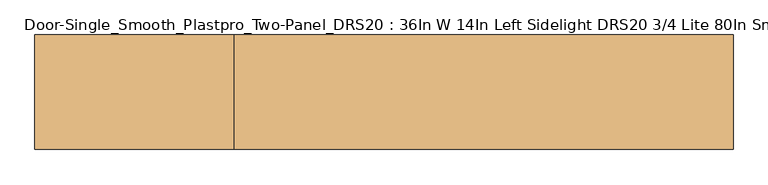
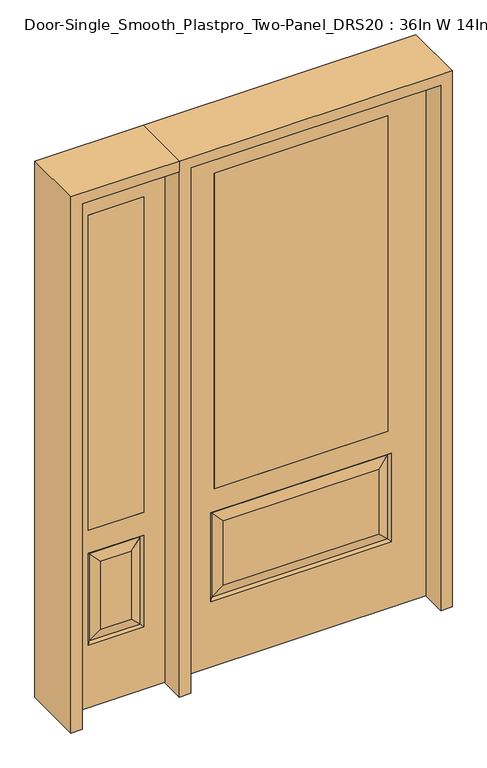
"""IFC4 building model written with IfcOpenShell, lengths in millimetres: door geometry, Door-Single_Smooth_Plastpro_Two-Panel_DRS20 : 36In W 14In Left Sidelight DRS20 3/4 Lite 80In Smooth."""

from ifc_helpers import new_model, si_unit, frame, origin, place, context, project, spatial, polyline, outline, extrude, faceted_brep, source, transform, mapped, element, save


def door_single_smooth_plastpro_two_panel_drs20_36in_w_14in_left_49815e76(model_context):
    return source(origin(), model_context, "Body", "SolidModel", [
        extrude(outline(polyline([(-574.675, -20.6375), (-777.875, -20.6375), (-777.875, 20.6375), (-574.675, 20.6375), (-574.675, -20.6375)])), frame((0.0, 0.0, 685.8), z_axis=(0.0, 0.0, 1.0), x_axis=(1.0, 0.0, 0.0)), (0.0, 0.0, 1.0), 1219.2),
        faceted_brep([(-854.075, -20.6375, 0.0), (-498.475, -20.6375, 0.0), (-498.475, -20.6375, 2032.0), (-854.075, -20.6375, 2032.0), (-574.675, -20.6375, 685.8), (-777.875, -20.6375, 685.8), (-777.875, -20.6375, 1905.0), (-574.675, -20.6375, 1905.0), (-574.675, -20.6375, 241.3), (-777.875, -20.6375, 241.3), (-777.875, -20.6375, 596.9), (-574.675, -20.6375, 596.9), (-731.8375, -20.6375, 287.3375), (-620.7125, -20.6375, 287.3375), (-620.7125, -20.6375, 550.8625), (-731.8375, -20.6375, 550.8625), (-854.075, 20.6375, 0.0), (-498.475, 20.6375, 0.0), (-498.475, 20.6375, 2032.0), (-854.075, 20.6375, 2032.0), (-583.6552561, -11.6572439, 250.2802561), (-768.8947439, -11.6572439, 250.2802561), (-768.8947439, -11.6572439, 587.9197439), (-583.6552561, -11.6572439, 587.9197439), (-574.675, 20.6375, 685.8), (-777.875, 20.6375, 685.8), (-777.875, 20.6375, 1905.0), (-574.675, 20.6375, 1905.0), (-777.875, 20.6375, 241.3), (-574.675, 20.6375, 241.3), (-574.675, 20.6375, 596.9), (-777.875, 20.6375, 596.9), (-620.7125, 20.6375, 287.3375), (-731.8375, 20.6375, 287.3375), (-731.8375, 20.6375, 550.8625), (-620.7125, 20.6375, 550.8625), (-768.8947439, 11.6572439, 250.2802561), (-583.6552561, 11.6572439, 250.2802561), (-583.6552561, 11.6572439, 587.9197439), (-768.8947439, 11.6572439, 587.9197439)], [[[0, 1, 2, 3], [4, 5, 6, 7], [8, 9, 10, 11]], [[12, 13, 14, 15]], [[1, 0, 16, 17]], [[2, 1, 17, 18]], [[0, 3, 19, 16]], [[20, 21, 9, 8]], [[9, 21, 22, 10]], [[10, 22, 23, 11]], [[20, 8, 11, 23]], [[21, 20, 13, 12]], [[13, 20, 23, 14]], [[22, 15, 14, 23]], [[21, 12, 15, 22]], [[4, 24, 25, 5]], [[5, 25, 26, 6]], [[24, 4, 7, 27]], [[16, 19, 18, 17], [25, 24, 27, 26], [28, 29, 30, 31]], [[32, 33, 34, 35]], [[28, 36, 37, 29]], [[29, 37, 38, 30]], [[39, 31, 30, 38]], [[36, 28, 31, 39]], [[37, 36, 33, 32]], [[33, 36, 39, 34]], [[34, 39, 38, 35]], [[37, 32, 35, 38]], [[3, 2, 18, 19]], [[27, 7, 6, 26]]]),
        extrude(outline(polyline([(317.5, -20.6375), (-317.5, -20.6375), (-317.5, 20.6375), (317.5, 20.6375), (317.5, -20.6375)])), frame((0.0, 0.0, 685.8), z_axis=(0.0, 0.0, 1.0), x_axis=(1.0, 0.0, 0.0)), (0.0, 0.0, 1.0), 1219.2),
        faceted_brep([(-317.5, 20.6375, 685.8), (-317.5, -20.6375, 685.8), (317.5, -20.6375, 685.8), (317.5, 20.6375, 685.8), (-321.2197439, 11.6572439, 587.9197439), (-284.1625, 20.6375, 550.8625), (-284.1625, 20.6375, 300.0375), (-321.2197439, 11.6572439, 262.9802561), (-321.2197439, -11.6572439, 262.9802561), (321.2197439, -11.6572439, 262.9802561), (284.1625, -20.6375, 300.0375), (-284.1625, -20.6375, 300.0375), (-321.2197439, -11.6572439, 587.9197439), (-284.1625, -20.6375, 550.8625), (284.1625, -20.6375, 550.8625), (321.2197439, -11.6572439, 587.9197439), (-330.2, -20.6375, 254.0), (330.2, -20.6375, 254.0), (317.5, -20.6375, 1905.0), (317.5, 20.6375, 1905.0), (284.1625, 20.6375, 300.0375), (321.2197439, 11.6572439, 262.9802561), (284.1625, 20.6375, 550.8625), (321.2197439, 11.6572439, 587.9197439), (457.2, 20.6375, 0.0), (457.2, -20.6375, 0.0), (-457.2, -20.6375, 0.0), (-457.2, 20.6375, 0.0), (457.2, 20.6375, 2032.0), (457.2, -20.6375, 2032.0), (-457.2, -20.6375, 2032.0), (-317.5, -20.6375, 1905.0), (-330.2, -20.6375, 596.9), (330.2, -20.6375, 596.9), (-457.2, 20.6375, 2032.0), (-317.5, 20.6375, 1905.0), (330.2, 20.6375, 596.9), (-330.2, 20.6375, 596.9), (-330.2, 20.6375, 254.0), (330.2, 20.6375, 254.0)], [[[0, 1, 2, 3]], [[4, 5, 6, 7]], [[8, 9, 10, 11]], [[12, 13, 14, 15]], [[9, 8, 16, 17]], [[18, 19, 3, 2]], [[7, 6, 20, 21]], [[22, 23, 21, 20]], [[24, 25, 26, 27]], [[28, 29, 25, 24]], [[11, 10, 14, 13]], [[29, 30, 26, 25], [31, 18, 2, 1], [17, 16, 32, 33]], [[30, 34, 27, 26]], [[5, 22, 20, 6]], [[34, 28, 24, 27], [19, 35, 0, 3], [36, 37, 38, 39]], [[23, 4, 37, 36]], [[37, 4, 7, 38]], [[38, 7, 21, 39]], [[23, 36, 39, 21]], [[4, 23, 22, 5]], [[35, 31, 1, 0]], [[16, 8, 12, 32]], [[32, 12, 15, 33]], [[9, 17, 33, 15]], [[10, 9, 15, 14]], [[8, 11, 13, 12]], [[28, 34, 30, 29]], [[31, 35, 19, 18]]]),
        extrude(outline(polyline([(2032.0, -498.475), (2073.275, -498.475), (2073.275, -895.35), (0.0, -895.35), (0.0, -854.075), (2032.0, -854.075), (2032.0, -498.475)])), frame((0.0, -114.3, 0.0), z_axis=(0.0, 1.0, 0.0), x_axis=(0.0, 0.0, 1.0)), (0.0, 0.0, 1.0), 228.6),
        extrude(outline(polyline([(2073.275, -498.475), (0.0, -498.475), (0.0, -457.2), (2032.0, -457.2), (2032.0, 457.2), (0.0, 457.2), (0.0, 498.475), (2073.275, 498.475), (2073.275, -498.475)])), frame((0.0, -114.3, 0.0), z_axis=(0.0, 1.0, 0.0), x_axis=(0.0, 0.0, 1.0)), (0.0, 0.0, 1.0), 228.6),
    ])


if __name__ == "__main__":
    model = new_model("IFC4")
    model_context = context("Model", 3, world=origin())
    ifc_project = project(units=[si_unit("LENGTHUNIT", "METRE", prefix="MILLI")], contexts=[model_context])
    site = spatial("IfcSite", under=ifc_project)
    building = spatial("IfcBuilding", under=site)
    placement = place(None, origin())
    door_single_smooth_plastpro_two_panel_drs20_36in_w_14in_left_shape = door_single_smooth_plastpro_two_panel_drs20_36in_w_14in_left_49815e76(model_context)
    element("IfcDoor", 1, ObjectType="Door-Single_Smooth_Plastpro_Two-Panel_DRS20 : 36In W 14In Left Sidelight DRS20 3/4 Lite 80In Smooth", at=placement, inside=building, context=model_context, shape_type="MappedRepresentation", body=[
        mapped(door_single_smooth_plastpro_two_panel_drs20_36in_w_14in_left_shape, transform((0.0, 0.0, 0.0), x_axis=(1.0, 0.0, 0.0), y_axis=(0.0, 1.0, 0.0), z_axis=(0.0, 0.0, 1.0))),
    ])
    save(model, "model.ifc")
